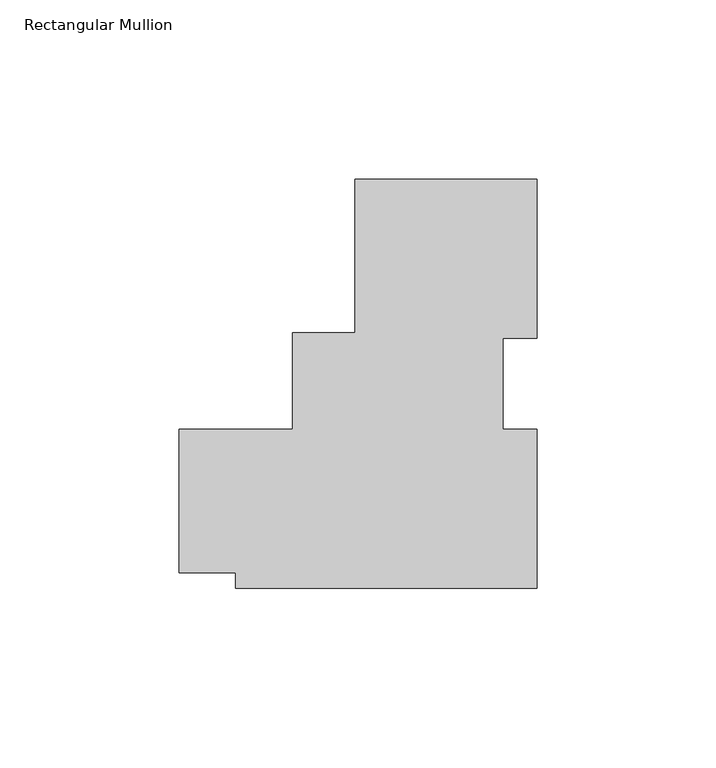
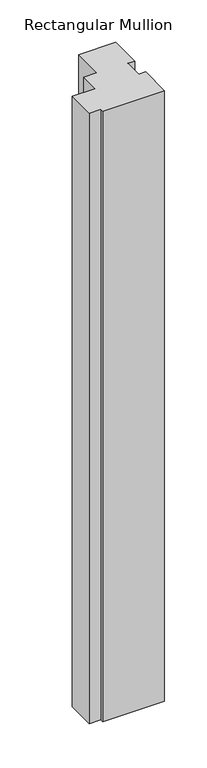
"""IFC4 building model written with IfcOpenShell, lengths in millimetres: member geometry, Rectangular Mullion."""

from ifc_helpers import new_model, si_unit, frame, origin, place, context, project, spatial, polyline, outline, extrude, source, transform, mapped, element, save


def rectangular_mullion_cc2ad9a1(model_context):
    return source(origin(), model_context, "Body", "SweptSolid", [
        extrude(outline(polyline([(-11.1234084, 49.8945969), (39.6765916, 49.8945969), (39.6765916, 5.49217), (30.1515916, 5.49217), (30.1515916, -19.9955283), (39.6765916, -19.9955283), (39.6765916, -64.4048737), (-44.4599878, -64.4048737), (-44.4599878, -59.9680017), (-60.3340783, -59.9680017), (-60.3359084, -19.9628961), (-28.5859084, -19.9628961), (-28.5859084, 7.0320969), (-11.1234084, 7.0320969), (-11.1234084, 49.8945969)])), frame((0.0, 0.0, -878.1238093), z_axis=(0.0, 0.0, 1.0), x_axis=(1.0, 0.0, 0.0)), (0.0, 0.0, 1.0), 878.1238093),
    ])


if __name__ == "__main__":
    model = new_model("IFC4")
    model_context = context("Model", 3, world=origin())
    ifc_project = project(units=[si_unit("LENGTHUNIT", "METRE", prefix="MILLI")], contexts=[model_context])
    site = spatial("IfcSite", under=ifc_project)
    building = spatial("IfcBuilding", under=site)
    placement = place(None, origin())
    rectangular_mullion_shape = rectangular_mullion_cc2ad9a1(model_context)
    element("IfcMember", 1, ObjectType="Rectangular Mullion", at=placement, inside=building, context=model_context, shape_type="MappedRepresentation", body=[
        mapped(rectangular_mullion_shape, transform((0.0, 0.0, 0.0), x_axis=(1.0, 0.0, 0.0), y_axis=(0.0, 1.0, 0.0), z_axis=(0.0, 0.0, 1.0))),
    ])
    save(model, "model.ifc")
